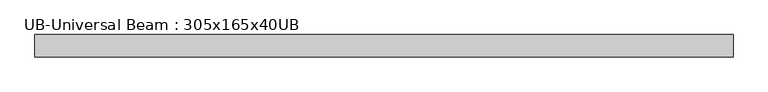
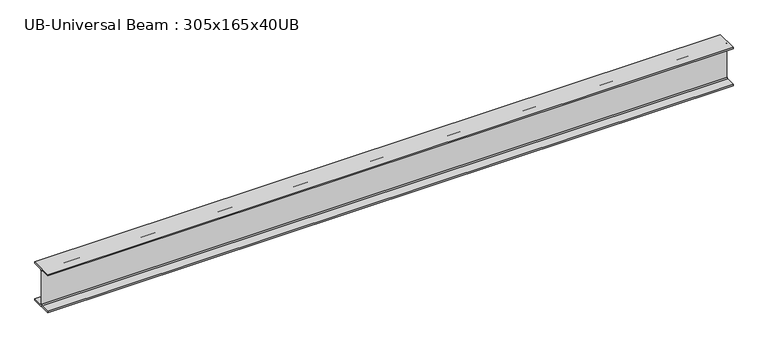
"""IFC4 building model written with IfcOpenShell, lengths in millimetres: beam geometry, UB-Universal Beam : 305x165x40UB."""

from ifc_helpers import new_model, si_unit, point, frame, frame_2d, origin, place, context, project, spatial, polyline, circle_curve, trimmed, segment, composite_curve, outline, extrude, source, transform, mapped, element, save


def ub_universal_beam_305x165x40ub_e0e0f192(model_context):
    return source(origin(), model_context, "Body", "SweptSolid", [
        extrude(outline(composite_curve([segment(polyline([(82.5, -141.5), (82.5, -151.7), (-82.5, -151.7), (-82.5, -141.5), (-11.9, -141.5)]), True, "CONTINUOUS"), segment(trimmed(circle_curve(frame_2d((-11.9, -132.6)), 8.9), [point((-11.9, -141.5))], [point((-3.0, -132.6))], True, "CARTESIAN"), True, "CONTINUOUS"), segment(polyline([(-3.0, -132.6), (-3.0, 132.6)]), True, "CONTINUOUS"), segment(trimmed(circle_curve(frame_2d((-11.9, 132.6)), 8.9), [point((-3.0, 132.6))], [point((-11.9, 141.5))], True, "CARTESIAN"), True, "CONTINUOUS"), segment(polyline([(-11.9, 141.5), (-82.5, 141.5), (-82.5, 151.7), (82.5, 151.7), (82.5, 141.5), (11.9, 141.5)]), True, "CONTINUOUS"), segment(trimmed(circle_curve(frame_2d((11.9, 132.6)), 8.9), [point((11.9, 141.5))], [point((3.0, 132.6))], True, "CARTESIAN"), True, "CONTINUOUS"), segment(polyline([(3.0, 132.6), (3.0, -132.6)]), True, "CONTINUOUS"), segment(trimmed(circle_curve(frame_2d((11.9, -132.6)), 8.9), [point((3.0, -132.6))], [point((11.9, -141.5))], True, "CARTESIAN"), True, "CONTINUOUS"), segment(polyline([(11.9, -141.5), (82.5, -141.5)]), True, "CONTINUOUS")], self_intersect=False)), frame((-2515.4785578, 0.0, 0.0), z_axis=(1.0, 0.0, 0.0), x_axis=(0.0, 1.0, 0.0)), (0.0, 0.0, 1.0), 5155.3996556),
    ])


if __name__ == "__main__":
    model = new_model("IFC4")
    model_context = context("Model", 3, world=origin())
    ifc_project = project(units=[si_unit("LENGTHUNIT", "METRE", prefix="MILLI")], contexts=[model_context])
    site = spatial("IfcSite", under=ifc_project)
    building = spatial("IfcBuilding", under=site)
    placement = place(None, origin())
    ub_universal_beam_305x165x40ub_shape = ub_universal_beam_305x165x40ub_e0e0f192(model_context)
    element("IfcBeam", 1, ObjectType="UB-Universal Beam : 305x165x40UB", at=placement, inside=building, context=model_context, shape_type="MappedRepresentation", body=[
        mapped(ub_universal_beam_305x165x40ub_shape, transform((0.0, 0.0, 0.0), x_axis=(1.0, 0.0, 0.0), y_axis=(0.0, 1.0, 0.0), z_axis=(0.0, 0.0, 1.0))),
    ])
    save(model, "model.ifc")
